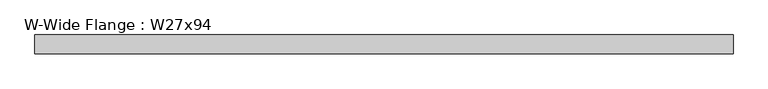
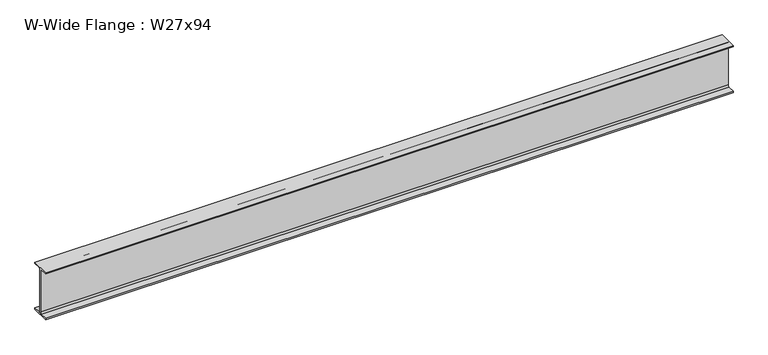
"""IFC4 building model written with IfcOpenShell, lengths in millimetres: beam geometry, W-Wide Flange : W27x94."""

from ifc_helpers import new_model, si_unit, point, frame, frame_2d, origin, place, context, project, spatial, polyline, circle_curve, trimmed, segment, composite_curve, outline, extrude, source, transform, mapped, element, save


def w_wide_flange_w27x94_05b426f2(model_context):
    return source(origin(), model_context, "Body", "SweptSolid", [
        extrude(outline(composite_curve([segment(polyline([(127.0, -322.707), (127.0, -341.63), (-127.0, -341.63), (-127.0, -322.707), (-28.575, -322.707)]), True, "CONTINUOUS"), segment(trimmed(circle_curve(frame_2d((-28.575, -300.355)), 22.352), [point((-28.575, -322.707))], [point((-6.223, -300.355))], True, "CARTESIAN"), True, "CONTINUOUS"), segment(polyline([(-6.223, -300.355), (-6.223, 300.355)]), True, "CONTINUOUS"), segment(trimmed(circle_curve(frame_2d((-28.575, 300.355)), 22.352), [point((-6.223, 300.355))], [point((-28.575, 322.707))], True, "CARTESIAN"), True, "CONTINUOUS"), segment(polyline([(-28.575, 322.707), (-127.0, 322.707), (-127.0, 341.63), (127.0, 341.63), (127.0, 322.707), (28.575, 322.707)]), True, "CONTINUOUS"), segment(trimmed(circle_curve(frame_2d((28.575, 300.355)), 22.352), [point((28.575, 322.707))], [point((6.223, 300.355))], True, "CARTESIAN"), True, "CONTINUOUS"), segment(polyline([(6.223, 300.355), (6.223, -300.355)]), True, "CONTINUOUS"), segment(trimmed(circle_curve(frame_2d((28.575, -300.355)), 22.352), [point((6.223, -300.355))], [point((28.575, -322.707))], True, "CARTESIAN"), True, "CONTINUOUS"), segment(polyline([(28.575, -322.707), (127.0, -322.707)]), True, "CONTINUOUS")], self_intersect=False)), frame((-4707.89, 0.0, 0.0), z_axis=(1.0, 0.0, 0.0), x_axis=(0.0, 1.0, 0.0)), (0.0, 0.0, 1.0), 9442.45),
    ])


if __name__ == "__main__":
    model = new_model("IFC4")
    model_context = context("Model", 3, world=origin())
    ifc_project = project(units=[si_unit("LENGTHUNIT", "METRE", prefix="MILLI")], contexts=[model_context])
    site = spatial("IfcSite", under=ifc_project)
    building = spatial("IfcBuilding", under=site)
    placement = place(None, origin())
    w_wide_flange_w27x94_shape = w_wide_flange_w27x94_05b426f2(model_context)
    element("IfcBeam", 1, ObjectType="W-Wide Flange : W27x94", at=placement, inside=building, context=model_context, shape_type="MappedRepresentation", body=[
        mapped(w_wide_flange_w27x94_shape, transform((0.0, 0.0, 0.0), x_axis=(1.0, 0.0, 0.0), y_axis=(0.0, 1.0, 0.0), z_axis=(0.0, 0.0, 1.0))),
    ])
    save(model, "model.ifc")
